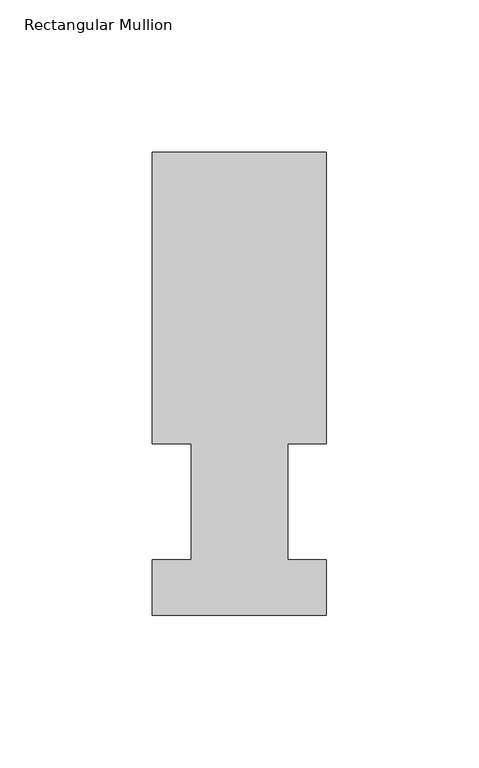
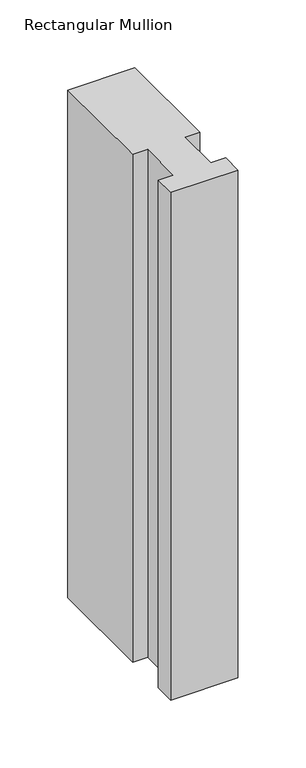
"""IFC4 building model written with IfcOpenShell, lengths in millimetres: member geometry, Rectangular Mullion."""

from ifc_helpers import new_model, si_unit, frame, origin, place, context, project, spatial, polyline, outline, extrude, source, transform, mapped, element, save


def rectangular_mullion_0573bbda(model_context):
    return source(origin(), model_context, "Body", "SweptSolid", [
        extrude(outline(polyline([(0.0, 151.98725), (0.0, 56.35625), (-12.7, 56.35625), (-12.7, 18.25625), (0.0, 18.25625), (0.0, -0.03175), (-57.15, -0.03175), (-57.15, 18.25625), (-44.45, 18.25625), (-44.45, 56.35625), (-57.15, 56.35625), (-57.15, 151.98725), (0.0, 151.98725)])), frame((0.0, 0.0, -457.1682499), z_axis=(0.0, 0.0, 1.0), x_axis=(1.0, 0.0, 0.0)), (0.0, 0.0, 1.0), 457.1682499),
    ])


if __name__ == "__main__":
    model = new_model("IFC4")
    model_context = context("Model", 3, world=origin())
    ifc_project = project(units=[si_unit("LENGTHUNIT", "METRE", prefix="MILLI")], contexts=[model_context])
    site = spatial("IfcSite", under=ifc_project)
    building = spatial("IfcBuilding", under=site)
    placement = place(None, origin())
    rectangular_mullion_shape = rectangular_mullion_0573bbda(model_context)
    element("IfcMember", 1, ObjectType="Rectangular Mullion", at=placement, inside=building, context=model_context, shape_type="MappedRepresentation", body=[
        mapped(rectangular_mullion_shape, transform((0.0, 0.0, 0.0), x_axis=(1.0, 0.0, 0.0), y_axis=(0.0, 1.0, 0.0), z_axis=(0.0, 0.0, 1.0))),
    ])
    save(model, "model.ifc")
